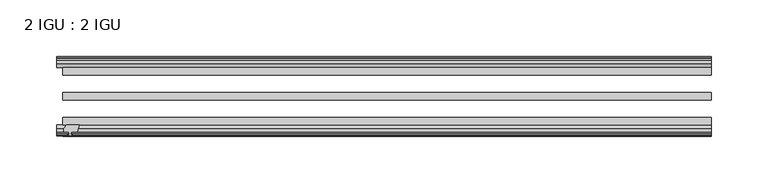
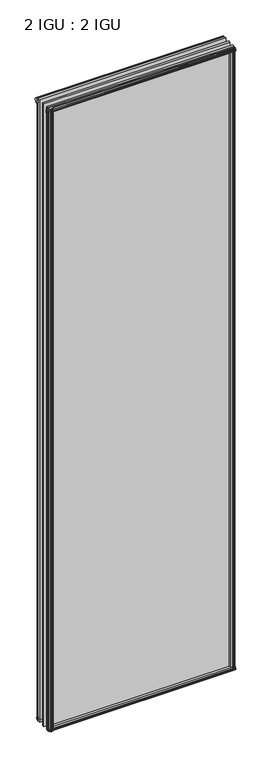
"""IFC4 building model written with IfcOpenShell, lengths in millimetres: plate geometry, 2 IGU : 2 IGU."""

from ifc_helpers import new_model, si_unit, frame, origin, origin_with_axes, place, context, project, spatial, polyline, outline, extrude, source, transform, mapped, element, save


def plate_2_igu_2_igu_0d27b650(model_context):
    return source(origin(), model_context, "Body", "SweptSolid", [
        extrude(outline(polyline([(-271.3322819, -69.9960936), (-273.05, -76.3460936), (-278.257, -76.3460936), (-278.638, -78.7262905), (-277.2224709, -78.2663573), (-277.2224709, -79.0675715), (-279.4, -79.7750936), (-281.5775291, -79.0675715), (-281.5775291, -78.2663573), (-280.162, -78.7262905), (-280.543, -76.3460936), (-284.988, -76.3460936), (-284.988, -73.3996936), (-282.1536578, -69.9960936), (-271.3322819, -69.9960936)])), frame((0.0, 0.0, -12.303125), z_axis=(0.0, 0.0, 1.0), x_axis=(1.0, 0.0, 0.0)), (0.0, 0.0, 1.0), 2018.661825),
        extrude(outline(polyline([(277.7431709, -10.4746158), (279.9207, -9.7670937), (282.0982291, -10.4746158), (282.0982291, -11.27583), (280.6827, -10.8158968), (281.0637, -13.1960937), (285.5087, -13.1960937), (285.5087, -16.1424937), (282.6743578, -19.5460937), (271.8529819, -19.5460937), (273.5707, -13.1960937), (278.7777, -13.1960937), (279.1587, -10.8158968), (277.7431709, -11.27583), (277.7431709, -10.4746158)])), origin_with_axes(), (0.0, 0.0, 1.0), 1993.9),
        extrude(outline(polyline([(-19.5460937, 1.5938931), (-13.1960937, -0.123825), (-13.1960937, -5.330825), (-10.8158968, -5.711825), (-11.27583, -4.2962959), (-10.4746158, -4.2962959), (-9.7670937, -6.473825), (-10.4746158, -8.6513541), (-11.27583, -8.6513541), (-10.8158968, -7.235825), (-13.1960937, -7.616825), (-13.1960937, -12.061825), (-16.1424937, -12.061825), (-19.5460937, -9.2274828), (-19.5460937, 1.5938931)])), frame((-285.75, 0.0, 0.0), z_axis=(1.0, 0.0, 0.0), x_axis=(0.0, 1.0, 0.0)), (0.0, 0.0, 1.0), 571.5),
        extrude(outline(polyline([(-69.9960936, 2.1145931), (-69.9960936, -8.7067828), (-73.3996936, -11.541125), (-76.3460936, -11.541125), (-76.3460936, -7.096125), (-78.7262905, -6.715125), (-78.2663573, -8.1306541), (-79.0675715, -8.1306541), (-79.7750936, -5.953125), (-79.0675715, -3.7755959), (-78.2663573, -3.7755959), (-78.7262905, -5.191125), (-76.3460936, -4.810125), (-76.3460936, 0.396875), (-69.9960936, 2.1145931)])), frame((-285.75, 0.0, 0.0), z_axis=(1.0, 0.0, 0.0), x_axis=(0.0, 1.0, 0.0)), (0.0, 0.0, 1.0), 571.5),
        extrude(outline(polyline([(-10.8158968, 2001.5327), (-11.27583, 2002.9482291), (-10.4746158, 2002.9482291), (-9.7670937, 2000.7707), (-10.4746158, 1998.5931709), (-11.27583, 1998.5931709), (-10.8158968, 2000.0087), (-13.1960937, 1999.6277), (-13.1960937, 1994.4207), (-19.5460937, 1992.7029819), (-19.5460937, 2003.5243578), (-16.1424937, 2006.3587), (-13.1960937, 2006.3587), (-13.1960937, 2001.9137), (-10.8158968, 2001.5327)])), frame((-291.0961059, 0.0, 0.0), z_axis=(1.0, 0.0, 0.0), x_axis=(0.0, 1.0, 0.0)), (0.0, 0.0, 1.0), 576.8461059),
        extrude(outline(polyline([(-76.3460936, 2005.838), (-73.3996936, 2005.838), (-69.9960936, 2003.0036578), (-69.9960936, 1992.1822819), (-76.3460936, 1993.9), (-76.3460936, 1999.107), (-78.7262905, 1999.488), (-78.2663573, 1998.0724709), (-79.0675715, 1998.0724709), (-79.7750936, 2000.25), (-79.0675715, 2002.4275291), (-78.2663573, 2002.4275291), (-78.7262905, 2001.012), (-76.3460936, 2001.393), (-76.3460936, 2005.838)])), frame((-291.0961059, 0.0, 0.0), z_axis=(1.0, 0.0, 0.0), x_axis=(0.0, 1.0, 0.0)), (0.0, 0.0, 1.0), 576.8461059),
        extrude(outline(polyline([(271.3322819, -69.9960936), (282.1536578, -69.9960936), (284.988, -73.3996936), (284.988, -76.3460936), (280.543, -76.3460936), (280.162, -78.7262905), (281.5775291, -78.2663573), (281.5775291, -79.0675715), (279.4, -79.7750936), (277.2224709, -79.0675715), (277.2224709, -78.2663573), (278.638, -78.7262905), (278.257, -76.3460936), (273.05, -76.3460936), (271.3322819, -69.9960936)])), origin_with_axes(), (0.0, 0.0, 1.0), 1993.9),
        extrude(outline(polyline([(-279.9207, -9.7670937), (-277.7431709, -10.4746158), (-277.7431709, -11.27583), (-279.1587, -10.8158968), (-278.7777, -13.1960937), (-273.5707, -13.1960937), (-271.8529819, -19.5460937), (-282.6743578, -19.5460937), (-285.5087, -16.1424937), (-285.5087, -13.1960937), (-281.0637, -13.1960937), (-280.6827, -10.8158968), (-282.0982291, -11.27583), (-282.0982291, -10.4746158), (-279.9207, -9.7670937)])), origin_with_axes(), (0.0, 0.0, 1.0), 1993.9),
        extrude(outline(polyline([(285.75, -19.5460937), (285.75, -25.8960937), (-285.75, -25.8960937), (-285.75, -19.5460937), (285.75, -19.5460937)])), frame((0.0, 0.0, -12.303125), z_axis=(0.0, 0.0, 1.0), x_axis=(1.0, 0.0, 0.0)), (0.0, 0.0, 1.0), 2018.903125),
        extrude(outline(polyline([(-285.75, -41.5960937), (285.75, -41.5960937), (285.75, -47.9460937), (-285.75, -47.9460937), (-285.75, -41.5960937)])), frame((0.0, 0.0, -12.303125), z_axis=(0.0, 0.0, 1.0), x_axis=(1.0, 0.0, 0.0)), (0.0, 0.0, 1.0), 2018.903125),
        extrude(outline(polyline([(285.75, -63.6460936), (285.75, -69.9960936), (-285.75, -69.9960936), (-285.75, -63.6460936), (285.75, -63.6460936)])), frame((0.0, 0.0, -12.303125), z_axis=(0.0, 0.0, 1.0), x_axis=(1.0, 0.0, 0.0)), (0.0, 0.0, 1.0), 2018.903125),
    ])


if __name__ == "__main__":
    model = new_model("IFC4")
    model_context = context("Model", 3, world=origin())
    ifc_project = project(units=[si_unit("LENGTHUNIT", "METRE", prefix="MILLI")], contexts=[model_context])
    site = spatial("IfcSite", under=ifc_project)
    building = spatial("IfcBuilding", under=site)
    placement = place(None, origin())
    plate_2_igu_2_igu_shape = plate_2_igu_2_igu_0d27b650(model_context)
    element("IfcPlate", 1, ObjectType="2 IGU : 2 IGU", at=placement, inside=building, context=model_context, shape_type="MappedRepresentation", body=[
        mapped(plate_2_igu_2_igu_shape, transform((0.0, 0.0, 0.0), x_axis=(1.0, 0.0, 0.0), y_axis=(0.0, 1.0, 0.0), z_axis=(0.0, 0.0, 1.0))),
    ])
    save(model, "model.ifc")
